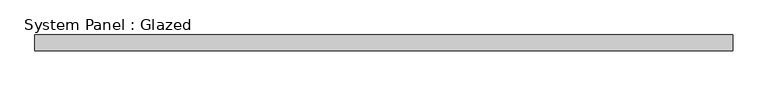
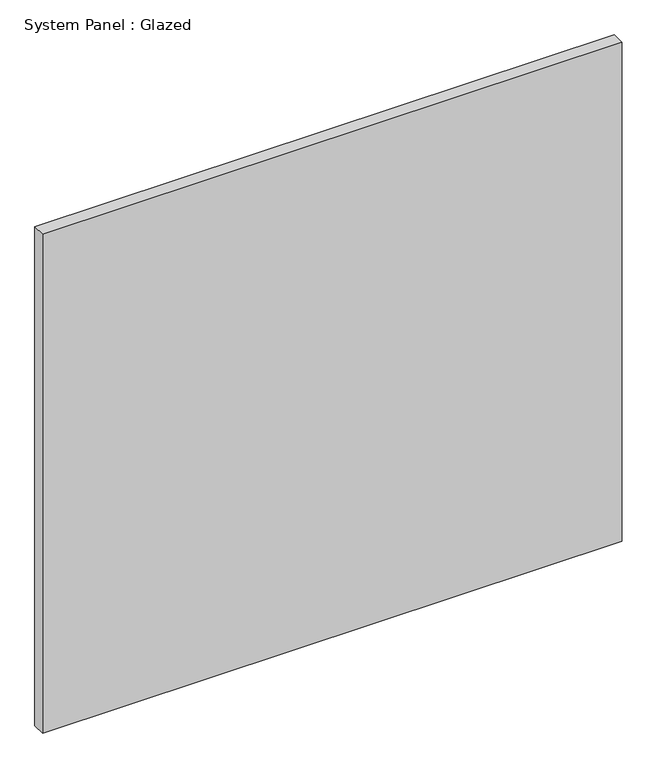
"""IFC4 building model written with IfcOpenShell, lengths in millimetres: plate geometry, System Panel : Glazed."""

from ifc_helpers import new_model, si_unit, origin, origin_with_axes, place, context, project, spatial, polyline, outline, extrude, source, transform, mapped, element, save


def system_panel_glazed_7f0aaf2a(model_context):
    return source(origin(), model_context, "Body", "SweptSolid", [
        extrude(outline(polyline([(558.8, -12.7), (-558.8, -12.7), (-558.8, 12.7), (558.8, 12.7), (558.8, -12.7)])), origin_with_axes(), (0.0, 0.0, 1.0), 1016.0),
    ])


if __name__ == "__main__":
    model = new_model("IFC4")
    model_context = context("Model", 3, world=origin())
    ifc_project = project(units=[si_unit("LENGTHUNIT", "METRE", prefix="MILLI")], contexts=[model_context])
    site = spatial("IfcSite", under=ifc_project)
    building = spatial("IfcBuilding", under=site)
    placement = place(None, origin())
    system_panel_glazed_shape = system_panel_glazed_7f0aaf2a(model_context)
    element("IfcPlate", 1, ObjectType="System Panel : Glazed", at=placement, inside=building, context=model_context, shape_type="MappedRepresentation", body=[
        mapped(system_panel_glazed_shape, transform((0.0, 0.0, 0.0), x_axis=(1.0, 0.0, 0.0), y_axis=(0.0, 1.0, 0.0), z_axis=(0.0, 0.0, 1.0))),
    ])
    save(model, "model.ifc")
